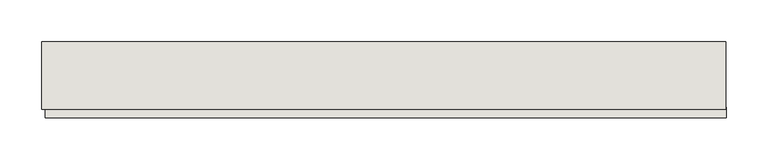
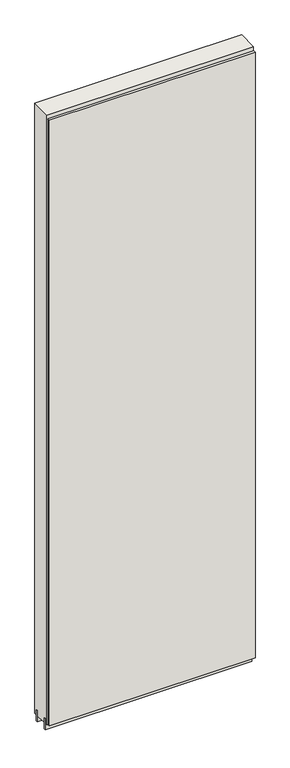
"""IFC4 building model written with IfcOpenShell, lengths in millimetres: wall geometry."""

from ifc_helpers import new_model, si_unit, frame, origin, place, context, project, spatial, polyline, outline, extrude, source, transform, mapped, element, save


def wall_3c70da0d(model_context):
    return source(origin(), model_context, "Body", "SweptSolid", [
        extrude(outline(polyline([(67221.7709664, -47237.6636398), (67224.3109664, -47237.6636398), (67224.3109664, -47240.2036398), (67221.7709664, -47240.2036398), (67221.7709664, -47237.6636398)])), frame((0.0, 0.0, 4419.6), z_axis=(0.0, 0.0, 1.0), x_axis=(1.0, 0.0, 0.0)), (0.0, 0.0, 1.0), 2.54),
        extrude(outline(polyline([(67224.7750498, -47289.7336398), (66407.7751598, -47289.7336398), (66407.7751598, -47277.0336398), (67224.7750498, -47277.0336398), (67224.7750498, -47289.7336398)])), frame((0.0, 0.0, 4445.0), z_axis=(0.0, 0.0, 1.0), x_axis=(1.0, 0.0, 0.0)), (0.0, 0.0, 1.0), 2545.0498756),
        extrude(outline(polyline([(66403.320457, -47264.0142856), (67224.2998158, -47264.0142856), (67224.2998158, -47269.0961398), (66403.320457, -47269.0961398), (66403.320457, -47264.0142856)])), frame((0.0, 0.0, 4418.6602), z_axis=(0.0, 0.0, 1.0), x_axis=(1.0, 0.0, 0.0)), (0.0, 0.0, 1.0), 47.625),
        extrude(outline(polyline([(66403.320457, -47264.0142856), (67224.2998158, -47264.0142856), (67224.2998158, -47269.0961398), (66403.320457, -47269.0961398), (66403.320457, -47264.0142856)])), frame((0.0, 0.0, 4418.6602), z_axis=(0.0, 0.0, 1.0), x_axis=(1.0, 0.0, 0.0)), (0.0, 0.0, 1.0), 47.625),
        extrude(outline(polyline([(67224.2998158, -47213.8498952), (66403.320457, -47213.8498952), (66403.320457, -47208.7711398), (67224.2998158, -47208.7711398), (67224.2998158, -47213.8498952)])), frame((0.0, 0.0, 4418.6602), z_axis=(0.0, 0.0, 1.0), x_axis=(1.0, 0.0, 0.0)), (0.0, 0.0, 1.0), 47.625),
        extrude(outline(polyline([(67224.2998158, -47213.8498952), (66403.320457, -47213.8498952), (66403.320457, -47208.7711398), (67224.2998158, -47208.7711398), (67224.2998158, -47213.8498952)])), frame((0.0, 0.0, 4418.6602), z_axis=(0.0, 0.0, 1.0), x_axis=(1.0, 0.0, 0.0)), (0.0, 0.0, 1.0), 47.625),
        extrude(outline(polyline([(66403.320457, -47279.5854254), (66403.320457, -47198.30667), (67224.2998158, -47198.30667), (67224.2998158, -47279.5854254), (66403.320457, -47279.5854254)])), frame((0.0, 0.0, 4445.0), z_axis=(0.0, 0.0, 1.0), x_axis=(1.0, 0.0, 0.0)), (0.0, 0.0, 1.0), 2562.4536762),
    ])


if __name__ == "__main__":
    model = new_model("IFC4")
    model_context = context("Model", 3, world=origin())
    ifc_project = project(units=[si_unit("LENGTHUNIT", "METRE", prefix="MILLI")], contexts=[model_context])
    site = spatial("IfcSite", under=ifc_project)
    building = spatial("IfcBuilding", under=site)
    placement = place(None, origin())
    wall_shape = wall_3c70da0d(model_context)
    element("IfcWall", 1, at=placement, inside=building, context=model_context, shape_type="MappedRepresentation", body=[
        mapped(wall_shape, transform((0.0, 0.0, 0.0), x_axis=(1.0, 0.0, 0.0), y_axis=(0.0, 1.0, 0.0), z_axis=(0.0, 0.0, 1.0))),
    ])
    save(model, "model.ifc")
